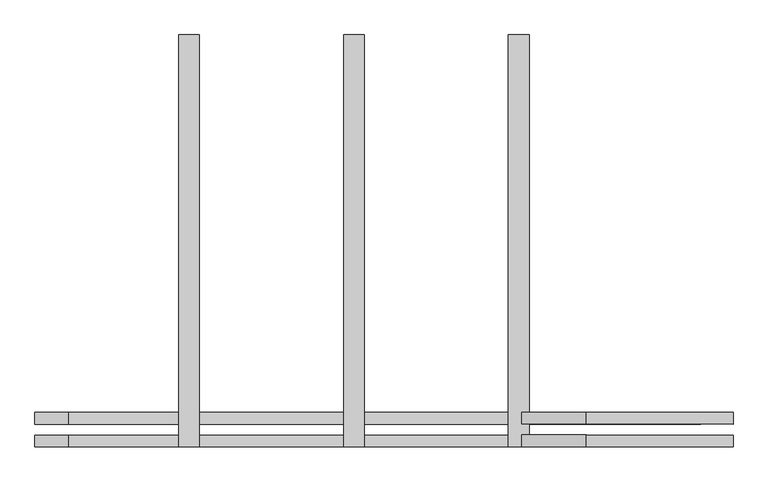
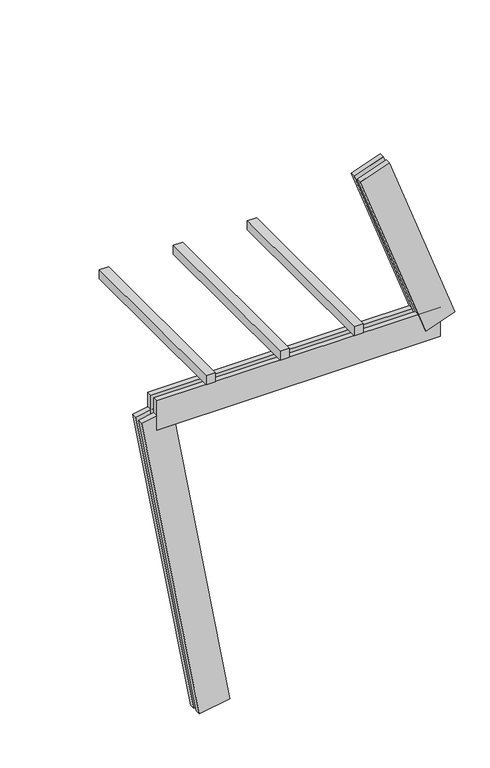
"""IFC4 building model written with IfcOpenShell, lengths in millimetres: proxy geometry."""

from ifc_helpers import new_model, si_unit, frame, origin, place, context, project, spatial, polyline, outline, extrude, source, transform, mapped, element, save


def generic_models_1a268a44(model_context):
    return source(origin(), model_context, "Body", "SweptSolid", [
        extrude(outline(polyline([(6.1499203, 1437.5), (6.1499203, -62.5), (-68.8500797, -62.5), (-68.8500797, 1437.5), (6.1499203, 1437.5)])), frame((0.0, 0.0, 2783.9809331), z_axis=(0.0, 0.0, 1.0), x_axis=(1.0, 0.0, 0.0)), (0.0, 0.0, 1.0), 75.0),
        extrude(outline(polyline([(606.1499203, 1437.5), (606.1499203, -62.5), (531.1499203, -62.5), (531.1499203, 1437.5), (606.1499203, 1437.5)])), frame((0.0, 0.0, 2783.9809331), z_axis=(0.0, 0.0, 1.0), x_axis=(1.0, 0.0, 0.0)), (0.0, 0.0, 1.0), 75.0),
        extrude(outline(polyline([(1206.1499203, 1437.5), (1206.1499203, -62.5), (1131.1499203, -62.5), (1131.1499203, 1437.5), (1206.1499203, 1437.5)])), frame((0.0, 0.0, 2783.9809331), z_axis=(0.0, 0.0, 1.0), x_axis=(1.0, 0.0, 0.0)), (0.0, 0.0, 1.0), 75.0),
        extrude(outline(polyline([(125.0, 0.0), (82.5, 0.0), (82.5, 250.0), (125.0, 250.0), (125.0, 0.0)])), frame((1713.6883427, 62.5, 2616.2284152), z_axis=(-0.34202014332566727, 0.0, 0.939692620785909), x_axis=(0.0, -1.0, 0.0)), (0.0, 0.0, 1.0), 1560.0),
        extrude(outline(polyline([(0.0, 250.0), (42.5, 250.0), (42.5, 0.0), (0.0, 0.0), (0.0, 250.0)])), frame((1713.6883427, 62.5, 2616.2284152), z_axis=(-0.34202014332566727, 0.0, 0.939692620785909), x_axis=(0.0, -1.0, 0.0)), (0.0, 0.0, 1.0), 1560.0),
        extrude(outline(polyline([(-468.8500797, -62.5), (-468.8500797, -20.0), (1831.1499203, -20.0), (1831.1499203, -62.5), (-468.8500797, -62.5)])), frame((0.0, 0.0, 2533.9809331), z_axis=(0.0, 0.0, 1.0), x_axis=(1.0, 0.0, 0.0)), (0.0, 0.0, 1.0), 250.0),
        extrude(outline(polyline([(1831.1499203, 62.5), (1831.1499203, 20.0), (-468.8500797, 20.0), (-468.8500797, 62.5), (1831.1499203, 62.5)])), frame((0.0, 0.0, 2533.9809331), z_axis=(0.0, 0.0, 1.0), x_axis=(1.0, 0.0, 0.0)), (0.0, 0.0, 1.0), 250.0),
        extrude(outline(polyline([(-125.0, 249.9999999), (-82.5, 249.9999999), (-82.5, 0.0), (-125.0, 0.0), (-125.0, 249.9999999)])), frame((123.1009691, 62.5, 21.7060222), z_axis=(-0.17364817766693158, 0.0, 0.9848077530122079), x_axis=(0.0, 1.0, 0.0)), (0.0, 0.0, 1.0), 2700.0),
        extrude(outline(polyline([(0.0, 0.0), (-42.5, 0.0), (-42.5, 249.9999999), (0.0, 249.9999999), (0.0, 0.0)])), frame((123.1009691, 62.5, 21.7060222), z_axis=(-0.17364817766693158, 0.0, 0.9848077530122079), x_axis=(0.0, 1.0, 0.0)), (0.0, 0.0, 1.0), 2700.0),
    ])


if __name__ == "__main__":
    model = new_model("IFC4")
    model_context = context("Model", 3, world=origin())
    ifc_project = project(units=[si_unit("LENGTHUNIT", "METRE", prefix="MILLI")], contexts=[model_context])
    site = spatial("IfcSite", under=ifc_project)
    building = spatial("IfcBuilding", under=site)
    placement = place(None, origin())
    generic_models_shape = generic_models_1a268a44(model_context)
    element("IfcBuildingElementProxy", 1, Name="Generic Models", at=placement, inside=building, context=model_context, shape_type="MappedRepresentation", body=[
        mapped(generic_models_shape, transform((0.0, 0.0, 0.0), x_axis=(1.0, 0.0, 0.0), y_axis=(0.0, 1.0, 0.0), z_axis=(0.0, 0.0, 1.0))),
    ])
    save(model, "model.ifc")
